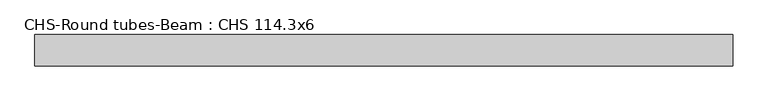
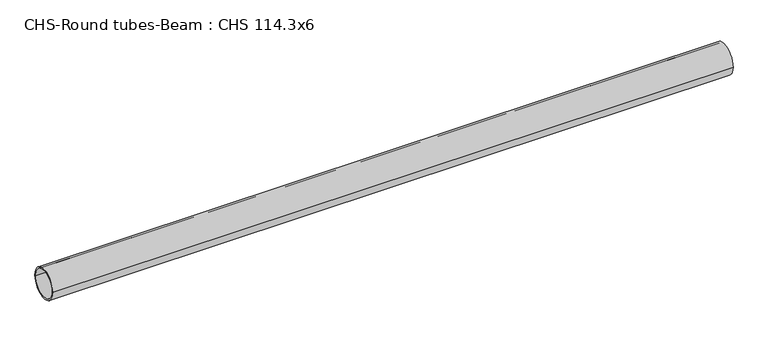
"""IFC4 building model written with IfcOpenShell, lengths in millimetres: beam geometry, CHS-Round tubes-Beam : CHS 114.3x6."""

from ifc_helpers import new_model, si_unit, point, frame, origin, origin_2d, place, context, project, spatial, circle_curve, trimmed, segment, composite_curve, outline, extrude, source, transform, mapped, element, save


def chs_round_tubes_beam_chs_114_3x6_b36ebfb8(model_context):
    return source(origin(), model_context, "Body", "SweptSolid", [
        extrude(outline(composite_curve([segment(trimmed(circle_curve(origin_2d(), 57.15), [point((57.15, 0.0))], [point((-57.15, 0.0))], False, "CARTESIAN"), True, "CONTINUOUS"), segment(trimmed(circle_curve(origin_2d(), 57.15), [point((-57.15, 0.0))], [point((57.15, 0.0))], False, "CARTESIAN"), True, "CONTINUOUS")], self_intersect=False), holes=[composite_curve([segment(trimmed(circle_curve(origin_2d(), 51.15), [point((51.15, 0.0))], [point((-51.15, 0.0))], True, "CARTESIAN"), True, "CONTINUOUS"), segment(trimmed(circle_curve(origin_2d(), 51.15), [point((-51.15, 0.0))], [point((51.15, 0.0))], True, "CARTESIAN"), True, "CONTINUOUS")], self_intersect=False)]), frame((-1259.2849735, 0.0, 0.0), z_axis=(1.0, 0.0, 0.0), x_axis=(0.0, 1.0, 0.0)), (0.0, 0.0, 1.0), 2527.4864252),
    ])


if __name__ == "__main__":
    model = new_model("IFC4")
    model_context = context("Model", 3, world=origin())
    ifc_project = project(units=[si_unit("LENGTHUNIT", "METRE", prefix="MILLI")], contexts=[model_context])
    site = spatial("IfcSite", under=ifc_project)
    building = spatial("IfcBuilding", under=site)
    placement = place(None, origin())
    chs_round_tubes_beam_chs_114_3x6_shape = chs_round_tubes_beam_chs_114_3x6_b36ebfb8(model_context)
    element("IfcBeam", 1, ObjectType="CHS-Round tubes-Beam : CHS 114.3x6", at=placement, inside=building, context=model_context, shape_type="MappedRepresentation", body=[
        mapped(chs_round_tubes_beam_chs_114_3x6_shape, transform((0.0, 0.0, 0.0), x_axis=(1.0, 0.0, 0.0), y_axis=(0.0, 1.0, 0.0), z_axis=(0.0, 0.0, 1.0))),
    ])
    save(model, "model.ifc")
